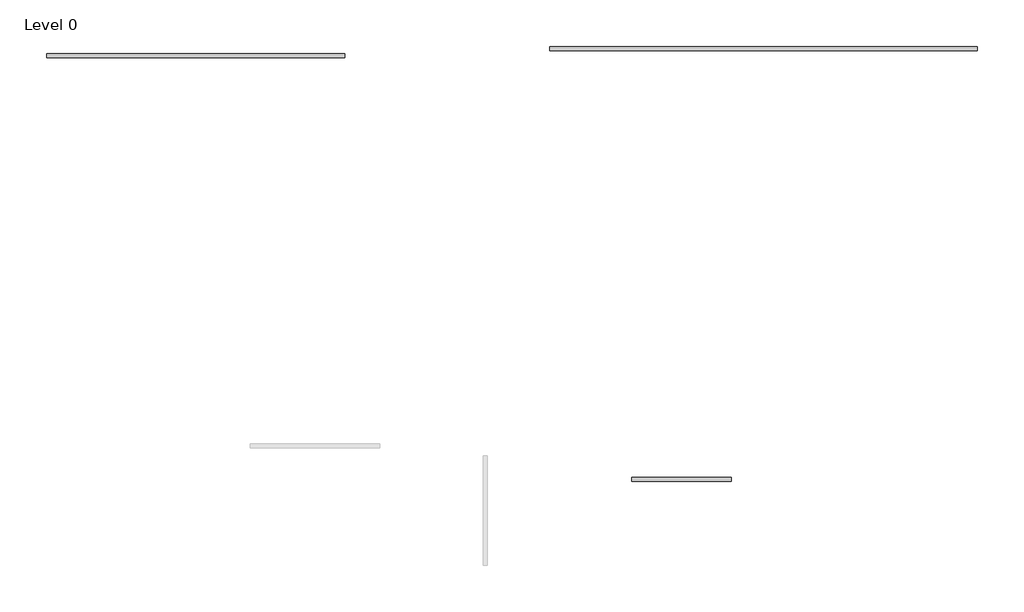
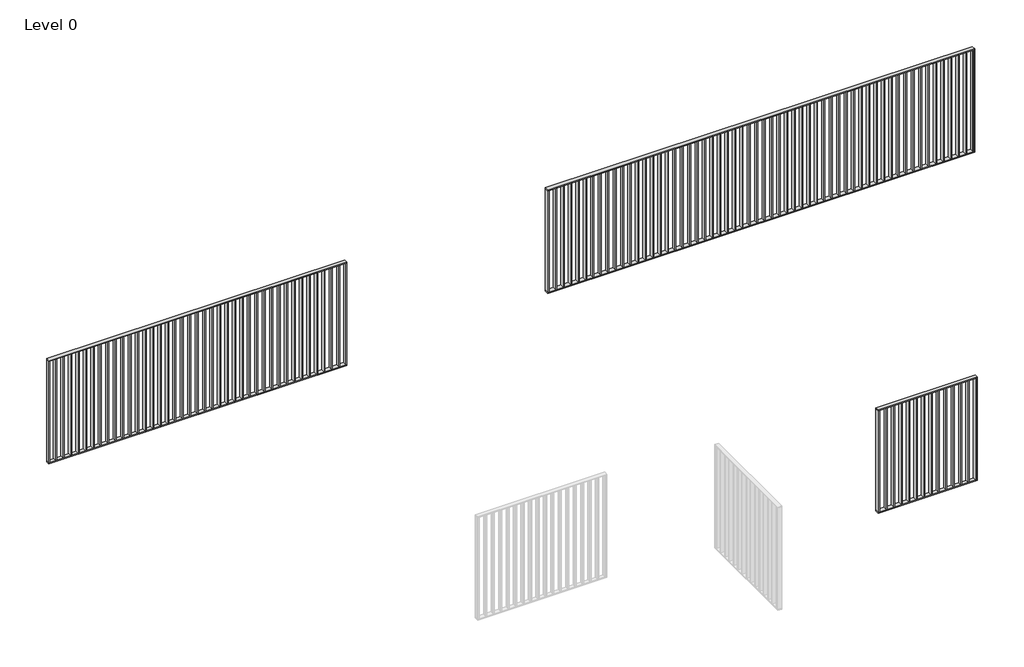
# One storey, part 2 of 3: 3 railings.
"""IFC4 building model written with IfcOpenShell, lengths in millimetres."""

from ifc_helpers import new_model, si_unit, frame, origin, origin_with_axes, place, context, project, spatial, polyline, outline, extrude, element, save

model = new_model("IFC4")

# Units and contexts
model_context = context("Model", 3, world=origin())
ifc_project = project(units=[si_unit("LENGTHUNIT", "METRE", prefix="MILLI")], contexts=[model_context])

# Site, building, storey
site = spatial("IfcSite", under=ifc_project)
building = spatial("IfcBuilding", under=site)
storey = spatial("IfcBuildingStorey", under=building, Name="Level 0", Elevation=0.0)

# Railings
placement = place(None, origin())
element("IfcRailing", 1, at=placement, inside=storey, context=model_context, shape_type="SweptSolid", body=[
    extrude(outline(polyline([(-6256.8668275, 330.8270239), (-6256.8668275, 370.8270239), (-3256.8668275, 370.8270239), (-3256.8668275, 330.8270239), (-6256.8668275, 330.8270239)])), frame((0.0, 0.0, 1090.0), z_axis=(0.0, 0.0, 1.0), x_axis=(1.0, 0.0, 0.0)), (0.0, 0.0, 1.0), 10.0),
    extrude(outline(polyline([(-6256.8668275, 330.8270239), (-6256.8668275, 370.8270239), (-3256.8668275, 370.8270239), (-3256.8668275, 330.8270239), (-6256.8668275, 330.8270239)])), origin_with_axes(), (0.0, 0.0, 1.0), 10.0),
    extrude(outline(polyline([(-3336.8668275, 370.8270239), (-3326.8668275, 370.8270239), (-3326.8668275, 330.8270239), (-3336.8668275, 330.8270239), (-3336.8668275, 370.8270239)])), frame((0.0, 0.0, 10.0), z_axis=(0.0, 0.0, 1.0), x_axis=(1.0, 0.0, 0.0)), (0.0, 0.0, 1.0), 1080.0),
    extrude(outline(polyline([(-3411.8668275, 370.8270239), (-3401.8668275, 370.8270239), (-3401.8668275, 330.8270239), (-3411.8668275, 330.8270239), (-3411.8668275, 370.8270239)])), frame((0.0, 0.0, 10.0), z_axis=(0.0, 0.0, 1.0), x_axis=(1.0, 0.0, 0.0)), (0.0, 0.0, 1.0), 1080.0),
    extrude(outline(polyline([(-3486.8668275, 370.8270239), (-3476.8668275, 370.8270239), (-3476.8668275, 330.8270239), (-3486.8668275, 330.8270239), (-3486.8668275, 370.8270239)])), frame((0.0, 0.0, 10.0), z_axis=(0.0, 0.0, 1.0), x_axis=(1.0, 0.0, 0.0)), (0.0, 0.0, 1.0), 1080.0),
    extrude(outline(polyline([(-3561.8668275, 370.8270239), (-3551.8668275, 370.8270239), (-3551.8668275, 330.8270239), (-3561.8668275, 330.8270239), (-3561.8668275, 370.8270239)])), frame((0.0, 0.0, 10.0), z_axis=(0.0, 0.0, 1.0), x_axis=(1.0, 0.0, 0.0)), (0.0, 0.0, 1.0), 1080.0),
    extrude(outline(polyline([(-3636.8668275, 370.8270239), (-3626.8668275, 370.8270239), (-3626.8668275, 330.8270239), (-3636.8668275, 330.8270239), (-3636.8668275, 370.8270239)])), frame((0.0, 0.0, 10.0), z_axis=(0.0, 0.0, 1.0), x_axis=(1.0, 0.0, 0.0)), (0.0, 0.0, 1.0), 1080.0),
    extrude(outline(polyline([(-3711.8668275, 370.8270239), (-3701.8668275, 370.8270239), (-3701.8668275, 330.8270239), (-3711.8668275, 330.8270239), (-3711.8668275, 370.8270239)])), frame((0.0, 0.0, 10.0), z_axis=(0.0, 0.0, 1.0), x_axis=(1.0, 0.0, 0.0)), (0.0, 0.0, 1.0), 1080.0),
    extrude(outline(polyline([(-3786.8668275, 370.8270239), (-3776.8668275, 370.8270239), (-3776.8668275, 330.8270239), (-3786.8668275, 330.8270239), (-3786.8668275, 370.8270239)])), frame((0.0, 0.0, 10.0), z_axis=(0.0, 0.0, 1.0), x_axis=(1.0, 0.0, 0.0)), (0.0, 0.0, 1.0), 1080.0),
    extrude(outline(polyline([(-3861.8668275, 370.8270239), (-3851.8668275, 370.8270239), (-3851.8668275, 330.8270239), (-3861.8668275, 330.8270239), (-3861.8668275, 370.8270239)])), frame((0.0, 0.0, 10.0), z_axis=(0.0, 0.0, 1.0), x_axis=(1.0, 0.0, 0.0)), (0.0, 0.0, 1.0), 1080.0),
    extrude(outline(polyline([(-3936.8668275, 370.8270239), (-3926.8668275, 370.8270239), (-3926.8668275, 330.8270239), (-3936.8668275, 330.8270239), (-3936.8668275, 370.8270239)])), frame((0.0, 0.0, 10.0), z_axis=(0.0, 0.0, 1.0), x_axis=(1.0, 0.0, 0.0)), (0.0, 0.0, 1.0), 1080.0),
    extrude(outline(polyline([(-4011.8668275, 370.8270239), (-4001.8668275, 370.8270239), (-4001.8668275, 330.8270239), (-4011.8668275, 330.8270239), (-4011.8668275, 370.8270239)])), frame((0.0, 0.0, 10.0), z_axis=(0.0, 0.0, 1.0), x_axis=(1.0, 0.0, 0.0)), (0.0, 0.0, 1.0), 1080.0),
    extrude(outline(polyline([(-4086.8668275, 370.8270239), (-4076.8668275, 370.8270239), (-4076.8668275, 330.8270239), (-4086.8668275, 330.8270239), (-4086.8668275, 370.8270239)])), frame((0.0, 0.0, 10.0), z_axis=(0.0, 0.0, 1.0), x_axis=(1.0, 0.0, 0.0)), (0.0, 0.0, 1.0), 1080.0),
    extrude(outline(polyline([(-4161.8668275, 370.8270239), (-4151.8668275, 370.8270239), (-4151.8668275, 330.8270239), (-4161.8668275, 330.8270239), (-4161.8668275, 370.8270239)])), frame((0.0, 0.0, 10.0), z_axis=(0.0, 0.0, 1.0), x_axis=(1.0, 0.0, 0.0)), (0.0, 0.0, 1.0), 1080.0),
    extrude(outline(polyline([(-4236.8668275, 370.8270239), (-4226.8668275, 370.8270239), (-4226.8668275, 330.8270239), (-4236.8668275, 330.8270239), (-4236.8668275, 370.8270239)])), frame((0.0, 0.0, 10.0), z_axis=(0.0, 0.0, 1.0), x_axis=(1.0, 0.0, 0.0)), (0.0, 0.0, 1.0), 1080.0),
    extrude(outline(polyline([(-4311.8668275, 370.8270239), (-4301.8668275, 370.8270239), (-4301.8668275, 330.8270239), (-4311.8668275, 330.8270239), (-4311.8668275, 370.8270239)])), frame((0.0, 0.0, 10.0), z_axis=(0.0, 0.0, 1.0), x_axis=(1.0, 0.0, 0.0)), (0.0, 0.0, 1.0), 1080.0),
    extrude(outline(polyline([(-4386.8668275, 370.8270239), (-4376.8668275, 370.8270239), (-4376.8668275, 330.8270239), (-4386.8668275, 330.8270239), (-4386.8668275, 370.8270239)])), frame((0.0, 0.0, 10.0), z_axis=(0.0, 0.0, 1.0), x_axis=(1.0, 0.0, 0.0)), (0.0, 0.0, 1.0), 1080.0),
    extrude(outline(polyline([(-4461.8668275, 370.8270239), (-4451.8668275, 370.8270239), (-4451.8668275, 330.8270239), (-4461.8668275, 330.8270239), (-4461.8668275, 370.8270239)])), frame((0.0, 0.0, 10.0), z_axis=(0.0, 0.0, 1.0), x_axis=(1.0, 0.0, 0.0)), (0.0, 0.0, 1.0), 1080.0),
    extrude(outline(polyline([(-4536.8668275, 370.8270239), (-4526.8668275, 370.8270239), (-4526.8668275, 330.8270239), (-4536.8668275, 330.8270239), (-4536.8668275, 370.8270239)])), frame((0.0, 0.0, 10.0), z_axis=(0.0, 0.0, 1.0), x_axis=(1.0, 0.0, 0.0)), (0.0, 0.0, 1.0), 1080.0),
    extrude(outline(polyline([(-4611.8668275, 370.8270239), (-4601.8668275, 370.8270239), (-4601.8668275, 330.8270239), (-4611.8668275, 330.8270239), (-4611.8668275, 370.8270239)])), frame((0.0, 0.0, 10.0), z_axis=(0.0, 0.0, 1.0), x_axis=(1.0, 0.0, 0.0)), (0.0, 0.0, 1.0), 1080.0),
    extrude(outline(polyline([(-4686.8668275, 370.8270239), (-4676.8668275, 370.8270239), (-4676.8668275, 330.8270239), (-4686.8668275, 330.8270239), (-4686.8668275, 370.8270239)])), frame((0.0, 0.0, 10.0), z_axis=(0.0, 0.0, 1.0), x_axis=(1.0, 0.0, 0.0)), (0.0, 0.0, 1.0), 1080.0),
    extrude(outline(polyline([(-4761.8668275, 370.8270239), (-4751.8668275, 370.8270239), (-4751.8668275, 330.8270239), (-4761.8668275, 330.8270239), (-4761.8668275, 370.8270239)])), frame((0.0, 0.0, 10.0), z_axis=(0.0, 0.0, 1.0), x_axis=(1.0, 0.0, 0.0)), (0.0, 0.0, 1.0), 1080.0),
    extrude(outline(polyline([(-4836.8668275, 370.8270239), (-4826.8668275, 370.8270239), (-4826.8668275, 330.8270239), (-4836.8668275, 330.8270239), (-4836.8668275, 370.8270239)])), frame((0.0, 0.0, 10.0), z_axis=(0.0, 0.0, 1.0), x_axis=(1.0, 0.0, 0.0)), (0.0, 0.0, 1.0), 1080.0),
    extrude(outline(polyline([(-4911.8668275, 370.8270239), (-4901.8668275, 370.8270239), (-4901.8668275, 330.8270239), (-4911.8668275, 330.8270239), (-4911.8668275, 370.8270239)])), frame((0.0, 0.0, 10.0), z_axis=(0.0, 0.0, 1.0), x_axis=(1.0, 0.0, 0.0)), (0.0, 0.0, 1.0), 1080.0),
    extrude(outline(polyline([(-4986.8668275, 370.8270239), (-4976.8668275, 370.8270239), (-4976.8668275, 330.8270239), (-4986.8668275, 330.8270239), (-4986.8668275, 370.8270239)])), frame((0.0, 0.0, 10.0), z_axis=(0.0, 0.0, 1.0), x_axis=(1.0, 0.0, 0.0)), (0.0, 0.0, 1.0), 1080.0),
    extrude(outline(polyline([(-5061.8668275, 370.8270239), (-5051.8668275, 370.8270239), (-5051.8668275, 330.8270239), (-5061.8668275, 330.8270239), (-5061.8668275, 370.8270239)])), frame((0.0, 0.0, 10.0), z_axis=(0.0, 0.0, 1.0), x_axis=(1.0, 0.0, 0.0)), (0.0, 0.0, 1.0), 1080.0),
    extrude(outline(polyline([(-5136.8668275, 370.8270239), (-5126.8668275, 370.8270239), (-5126.8668275, 330.8270239), (-5136.8668275, 330.8270239), (-5136.8668275, 370.8270239)])), frame((0.0, 0.0, 10.0), z_axis=(0.0, 0.0, 1.0), x_axis=(1.0, 0.0, 0.0)), (0.0, 0.0, 1.0), 1080.0),
    extrude(outline(polyline([(-5211.8668275, 370.8270239), (-5201.8668275, 370.8270239), (-5201.8668275, 330.8270239), (-5211.8668275, 330.8270239), (-5211.8668275, 370.8270239)])), frame((0.0, 0.0, 10.0), z_axis=(0.0, 0.0, 1.0), x_axis=(1.0, 0.0, 0.0)), (0.0, 0.0, 1.0), 1080.0),
    extrude(outline(polyline([(-5286.8668275, 370.8270239), (-5276.8668275, 370.8270239), (-5276.8668275, 330.8270239), (-5286.8668275, 330.8270239), (-5286.8668275, 370.8270239)])), frame((0.0, 0.0, 10.0), z_axis=(0.0, 0.0, 1.0), x_axis=(1.0, 0.0, 0.0)), (0.0, 0.0, 1.0), 1080.0),
    extrude(outline(polyline([(-5361.8668275, 370.8270239), (-5351.8668275, 370.8270239), (-5351.8668275, 330.8270239), (-5361.8668275, 330.8270239), (-5361.8668275, 370.8270239)])), frame((0.0, 0.0, 10.0), z_axis=(0.0, 0.0, 1.0), x_axis=(1.0, 0.0, 0.0)), (0.0, 0.0, 1.0), 1080.0),
    extrude(outline(polyline([(-5436.8668275, 370.8270239), (-5426.8668275, 370.8270239), (-5426.8668275, 330.8270239), (-5436.8668275, 330.8270239), (-5436.8668275, 370.8270239)])), frame((0.0, 0.0, 10.0), z_axis=(0.0, 0.0, 1.0), x_axis=(1.0, 0.0, 0.0)), (0.0, 0.0, 1.0), 1080.0),
    extrude(outline(polyline([(-5511.8668275, 370.8270239), (-5501.8668275, 370.8270239), (-5501.8668275, 330.8270239), (-5511.8668275, 330.8270239), (-5511.8668275, 370.8270239)])), frame((0.0, 0.0, 10.0), z_axis=(0.0, 0.0, 1.0), x_axis=(1.0, 0.0, 0.0)), (0.0, 0.0, 1.0), 1080.0),
    extrude(outline(polyline([(-5586.8668275, 370.8270239), (-5576.8668275, 370.8270239), (-5576.8668275, 330.8270239), (-5586.8668275, 330.8270239), (-5586.8668275, 370.8270239)])), frame((0.0, 0.0, 10.0), z_axis=(0.0, 0.0, 1.0), x_axis=(1.0, 0.0, 0.0)), (0.0, 0.0, 1.0), 1080.0),
    extrude(outline(polyline([(-5661.8668275, 370.8270239), (-5651.8668275, 370.8270239), (-5651.8668275, 330.8270239), (-5661.8668275, 330.8270239), (-5661.8668275, 370.8270239)])), frame((0.0, 0.0, 10.0), z_axis=(0.0, 0.0, 1.0), x_axis=(1.0, 0.0, 0.0)), (0.0, 0.0, 1.0), 1080.0),
    extrude(outline(polyline([(-5736.8668275, 370.8270239), (-5726.8668275, 370.8270239), (-5726.8668275, 330.8270239), (-5736.8668275, 330.8270239), (-5736.8668275, 370.8270239)])), frame((0.0, 0.0, 10.0), z_axis=(0.0, 0.0, 1.0), x_axis=(1.0, 0.0, 0.0)), (0.0, 0.0, 1.0), 1080.0),
    extrude(outline(polyline([(-5811.8668275, 370.8270239), (-5801.8668275, 370.8270239), (-5801.8668275, 330.8270239), (-5811.8668275, 330.8270239), (-5811.8668275, 370.8270239)])), frame((0.0, 0.0, 10.0), z_axis=(0.0, 0.0, 1.0), x_axis=(1.0, 0.0, 0.0)), (0.0, 0.0, 1.0), 1080.0),
    extrude(outline(polyline([(-5886.8668275, 370.8270239), (-5876.8668275, 370.8270239), (-5876.8668275, 330.8270239), (-5886.8668275, 330.8270239), (-5886.8668275, 370.8270239)])), frame((0.0, 0.0, 10.0), z_axis=(0.0, 0.0, 1.0), x_axis=(1.0, 0.0, 0.0)), (0.0, 0.0, 1.0), 1080.0),
    extrude(outline(polyline([(-5961.8668275, 370.8270239), (-5951.8668275, 370.8270239), (-5951.8668275, 330.8270239), (-5961.8668275, 330.8270239), (-5961.8668275, 370.8270239)])), frame((0.0, 0.0, 10.0), z_axis=(0.0, 0.0, 1.0), x_axis=(1.0, 0.0, 0.0)), (0.0, 0.0, 1.0), 1080.0),
    extrude(outline(polyline([(-6036.8668275, 370.8270239), (-6026.8668275, 370.8270239), (-6026.8668275, 330.8270239), (-6036.8668275, 330.8270239), (-6036.8668275, 370.8270239)])), frame((0.0, 0.0, 10.0), z_axis=(0.0, 0.0, 1.0), x_axis=(1.0, 0.0, 0.0)), (0.0, 0.0, 1.0), 1080.0),
    extrude(outline(polyline([(-6111.8668275, 370.8270239), (-6101.8668275, 370.8270239), (-6101.8668275, 330.8270239), (-6111.8668275, 330.8270239), (-6111.8668275, 370.8270239)])), frame((0.0, 0.0, 10.0), z_axis=(0.0, 0.0, 1.0), x_axis=(1.0, 0.0, 0.0)), (0.0, 0.0, 1.0), 1080.0),
    extrude(outline(polyline([(-6186.8668275, 370.8270239), (-6176.8668275, 370.8270239), (-6176.8668275, 330.8270239), (-6186.8668275, 330.8270239), (-6186.8668275, 370.8270239)])), frame((0.0, 0.0, 10.0), z_axis=(0.0, 0.0, 1.0), x_axis=(1.0, 0.0, 0.0)), (0.0, 0.0, 1.0), 1080.0),
    extrude(outline(polyline([(-3266.8668275, 370.8270239), (-3256.8668275, 370.8270239), (-3256.8668275, 330.8270239), (-3266.8668275, 330.8270239), (-3266.8668275, 370.8270239)])), frame((0.0, 0.0, 10.0), z_axis=(0.0, 0.0, 1.0), x_axis=(1.0, 0.0, 0.0)), (0.0, 0.0, 1.0), 1080.0),
    extrude(outline(polyline([(-6256.8668275, 370.8270239), (-6246.8668275, 370.8270239), (-6246.8668275, 330.8270239), (-6256.8668275, 330.8270239), (-6256.8668275, 370.8270239)])), frame((0.0, 0.0, 10.0), z_axis=(0.0, 0.0, 1.0), x_axis=(1.0, 0.0, 0.0)), (0.0, 0.0, 1.0), 1080.0),
])
element("IfcRailing", 2, at=placement, inside=storey, context=model_context, shape_type="SweptSolid", body=[
    extrude(outline(polyline([(-1194.06967, 404.2008957), (-1194.06967, 444.2008957), (3105.93033, 444.2008957), (3105.93033, 404.2008957), (-1194.06967, 404.2008957)])), frame((0.0, 0.0, 1090.0), z_axis=(0.0, 0.0, 1.0), x_axis=(1.0, 0.0, 0.0)), (0.0, 0.0, 1.0), 10.0),
    extrude(outline(polyline([(-1194.06967, 404.2008957), (-1194.06967, 444.2008957), (3105.93033, 444.2008957), (3105.93033, 404.2008957), (-1194.06967, 404.2008957)])), origin_with_axes(), (0.0, 0.0, 1.0), 10.0),
    extrude(outline(polyline([(3088.43033, 444.2008957), (3098.43033, 444.2008957), (3098.43033, 404.2008957), (3088.43033, 404.2008957), (3088.43033, 444.2008957)])), frame((0.0, 0.0, 10.0), z_axis=(0.0, 0.0, 1.0), x_axis=(1.0, 0.0, 0.0)), (0.0, 0.0, 1.0), 1080.0),
    extrude(outline(polyline([(3013.43033, 444.2008957), (3023.43033, 444.2008957), (3023.43033, 404.2008957), (3013.43033, 404.2008957), (3013.43033, 444.2008957)])), frame((0.0, 0.0, 10.0), z_axis=(0.0, 0.0, 1.0), x_axis=(1.0, 0.0, 0.0)), (0.0, 0.0, 1.0), 1080.0),
    extrude(outline(polyline([(2938.43033, 444.2008957), (2948.43033, 444.2008957), (2948.43033, 404.2008957), (2938.43033, 404.2008957), (2938.43033, 444.2008957)])), frame((0.0, 0.0, 10.0), z_axis=(0.0, 0.0, 1.0), x_axis=(1.0, 0.0, 0.0)), (0.0, 0.0, 1.0), 1080.0),
    extrude(outline(polyline([(2863.43033, 444.2008957), (2873.43033, 444.2008957), (2873.43033, 404.2008957), (2863.43033, 404.2008957), (2863.43033, 444.2008957)])), frame((0.0, 0.0, 10.0), z_axis=(0.0, 0.0, 1.0), x_axis=(1.0, 0.0, 0.0)), (0.0, 0.0, 1.0), 1080.0),
    extrude(outline(polyline([(2788.43033, 444.2008957), (2798.43033, 444.2008957), (2798.43033, 404.2008957), (2788.43033, 404.2008957), (2788.43033, 444.2008957)])), frame((0.0, 0.0, 10.0), z_axis=(0.0, 0.0, 1.0), x_axis=(1.0, 0.0, 0.0)), (0.0, 0.0, 1.0), 1080.0),
    extrude(outline(polyline([(2713.43033, 444.2008957), (2723.43033, 444.2008957), (2723.43033, 404.2008957), (2713.43033, 404.2008957), (2713.43033, 444.2008957)])), frame((0.0, 0.0, 10.0), z_axis=(0.0, 0.0, 1.0), x_axis=(1.0, 0.0, 0.0)), (0.0, 0.0, 1.0), 1080.0),
    extrude(outline(polyline([(2638.43033, 444.2008957), (2648.43033, 444.2008957), (2648.43033, 404.2008957), (2638.43033, 404.2008957), (2638.43033, 444.2008957)])), frame((0.0, 0.0, 10.0), z_axis=(0.0, 0.0, 1.0), x_axis=(1.0, 0.0, 0.0)), (0.0, 0.0, 1.0), 1080.0),
    extrude(outline(polyline([(2563.43033, 444.2008957), (2573.43033, 444.2008957), (2573.43033, 404.2008957), (2563.43033, 404.2008957), (2563.43033, 444.2008957)])), frame((0.0, 0.0, 10.0), z_axis=(0.0, 0.0, 1.0), x_axis=(1.0, 0.0, 0.0)), (0.0, 0.0, 1.0), 1080.0),
    extrude(outline(polyline([(2488.43033, 444.2008957), (2498.43033, 444.2008957), (2498.43033, 404.2008957), (2488.43033, 404.2008957), (2488.43033, 444.2008957)])), frame((0.0, 0.0, 10.0), z_axis=(0.0, 0.0, 1.0), x_axis=(1.0, 0.0, 0.0)), (0.0, 0.0, 1.0), 1080.0),
    extrude(outline(polyline([(2413.43033, 444.2008957), (2423.43033, 444.2008957), (2423.43033, 404.2008957), (2413.43033, 404.2008957), (2413.43033, 444.2008957)])), frame((0.0, 0.0, 10.0), z_axis=(0.0, 0.0, 1.0), x_axis=(1.0, 0.0, 0.0)), (0.0, 0.0, 1.0), 1080.0),
    extrude(outline(polyline([(2338.43033, 444.2008957), (2348.43033, 444.2008957), (2348.43033, 404.2008957), (2338.43033, 404.2008957), (2338.43033, 444.2008957)])), frame((0.0, 0.0, 10.0), z_axis=(0.0, 0.0, 1.0), x_axis=(1.0, 0.0, 0.0)), (0.0, 0.0, 1.0), 1080.0),
    extrude(outline(polyline([(2263.43033, 444.2008957), (2273.43033, 444.2008957), (2273.43033, 404.2008957), (2263.43033, 404.2008957), (2263.43033, 444.2008957)])), frame((0.0, 0.0, 10.0), z_axis=(0.0, 0.0, 1.0), x_axis=(1.0, 0.0, 0.0)), (0.0, 0.0, 1.0), 1080.0),
    extrude(outline(polyline([(2188.43033, 444.2008957), (2198.43033, 444.2008957), (2198.43033, 404.2008957), (2188.43033, 404.2008957), (2188.43033, 444.2008957)])), frame((0.0, 0.0, 10.0), z_axis=(0.0, 0.0, 1.0), x_axis=(1.0, 0.0, 0.0)), (0.0, 0.0, 1.0), 1080.0),
    extrude(outline(polyline([(2113.43033, 444.2008957), (2123.43033, 444.2008957), (2123.43033, 404.2008957), (2113.43033, 404.2008957), (2113.43033, 444.2008957)])), frame((0.0, 0.0, 10.0), z_axis=(0.0, 0.0, 1.0), x_axis=(1.0, 0.0, 0.0)), (0.0, 0.0, 1.0), 1080.0),
    extrude(outline(polyline([(2038.43033, 444.2008957), (2048.43033, 444.2008957), (2048.43033, 404.2008957), (2038.43033, 404.2008957), (2038.43033, 444.2008957)])), frame((0.0, 0.0, 10.0), z_axis=(0.0, 0.0, 1.0), x_axis=(1.0, 0.0, 0.0)), (0.0, 0.0, 1.0), 1080.0),
    extrude(outline(polyline([(1963.43033, 444.2008957), (1973.43033, 444.2008957), (1973.43033, 404.2008957), (1963.43033, 404.2008957), (1963.43033, 444.2008957)])), frame((0.0, 0.0, 10.0), z_axis=(0.0, 0.0, 1.0), x_axis=(1.0, 0.0, 0.0)), (0.0, 0.0, 1.0), 1080.0),
    extrude(outline(polyline([(1888.43033, 444.2008957), (1898.43033, 444.2008957), (1898.43033, 404.2008957), (1888.43033, 404.2008957), (1888.43033, 444.2008957)])), frame((0.0, 0.0, 10.0), z_axis=(0.0, 0.0, 1.0), x_axis=(1.0, 0.0, 0.0)), (0.0, 0.0, 1.0), 1080.0),
    extrude(outline(polyline([(1813.43033, 444.2008957), (1823.43033, 444.2008957), (1823.43033, 404.2008957), (1813.43033, 404.2008957), (1813.43033, 444.2008957)])), frame((0.0, 0.0, 10.0), z_axis=(0.0, 0.0, 1.0), x_axis=(1.0, 0.0, 0.0)), (0.0, 0.0, 1.0), 1080.0),
    extrude(outline(polyline([(1738.43033, 444.2008957), (1748.43033, 444.2008957), (1748.43033, 404.2008957), (1738.43033, 404.2008957), (1738.43033, 444.2008957)])), frame((0.0, 0.0, 10.0), z_axis=(0.0, 0.0, 1.0), x_axis=(1.0, 0.0, 0.0)), (0.0, 0.0, 1.0), 1080.0),
    extrude(outline(polyline([(1663.43033, 444.2008957), (1673.43033, 444.2008957), (1673.43033, 404.2008957), (1663.43033, 404.2008957), (1663.43033, 444.2008957)])), frame((0.0, 0.0, 10.0), z_axis=(0.0, 0.0, 1.0), x_axis=(1.0, 0.0, 0.0)), (0.0, 0.0, 1.0), 1080.0),
    extrude(outline(polyline([(1588.43033, 444.2008957), (1598.43033, 444.2008957), (1598.43033, 404.2008957), (1588.43033, 404.2008957), (1588.43033, 444.2008957)])), frame((0.0, 0.0, 10.0), z_axis=(0.0, 0.0, 1.0), x_axis=(1.0, 0.0, 0.0)), (0.0, 0.0, 1.0), 1080.0),
    extrude(outline(polyline([(1513.43033, 444.2008957), (1523.43033, 444.2008957), (1523.43033, 404.2008957), (1513.43033, 404.2008957), (1513.43033, 444.2008957)])), frame((0.0, 0.0, 10.0), z_axis=(0.0, 0.0, 1.0), x_axis=(1.0, 0.0, 0.0)), (0.0, 0.0, 1.0), 1080.0),
    extrude(outline(polyline([(1438.43033, 444.2008957), (1448.43033, 444.2008957), (1448.43033, 404.2008957), (1438.43033, 404.2008957), (1438.43033, 444.2008957)])), frame((0.0, 0.0, 10.0), z_axis=(0.0, 0.0, 1.0), x_axis=(1.0, 0.0, 0.0)), (0.0, 0.0, 1.0), 1080.0),
    extrude(outline(polyline([(1363.43033, 444.2008957), (1373.43033, 444.2008957), (1373.43033, 404.2008957), (1363.43033, 404.2008957), (1363.43033, 444.2008957)])), frame((0.0, 0.0, 10.0), z_axis=(0.0, 0.0, 1.0), x_axis=(1.0, 0.0, 0.0)), (0.0, 0.0, 1.0), 1080.0),
    extrude(outline(polyline([(1288.43033, 444.2008957), (1298.43033, 444.2008957), (1298.43033, 404.2008957), (1288.43033, 404.2008957), (1288.43033, 444.2008957)])), frame((0.0, 0.0, 10.0), z_axis=(0.0, 0.0, 1.0), x_axis=(1.0, 0.0, 0.0)), (0.0, 0.0, 1.0), 1080.0),
    extrude(outline(polyline([(1213.43033, 444.2008957), (1223.43033, 444.2008957), (1223.43033, 404.2008957), (1213.43033, 404.2008957), (1213.43033, 444.2008957)])), frame((0.0, 0.0, 10.0), z_axis=(0.0, 0.0, 1.0), x_axis=(1.0, 0.0, 0.0)), (0.0, 0.0, 1.0), 1080.0),
    extrude(outline(polyline([(1138.43033, 444.2008957), (1148.43033, 444.2008957), (1148.43033, 404.2008957), (1138.43033, 404.2008957), (1138.43033, 444.2008957)])), frame((0.0, 0.0, 10.0), z_axis=(0.0, 0.0, 1.0), x_axis=(1.0, 0.0, 0.0)), (0.0, 0.0, 1.0), 1080.0),
    extrude(outline(polyline([(1063.43033, 444.2008957), (1073.43033, 444.2008957), (1073.43033, 404.2008957), (1063.43033, 404.2008957), (1063.43033, 444.2008957)])), frame((0.0, 0.0, 10.0), z_axis=(0.0, 0.0, 1.0), x_axis=(1.0, 0.0, 0.0)), (0.0, 0.0, 1.0), 1080.0),
    extrude(outline(polyline([(988.43033, 444.2008957), (998.43033, 444.2008957), (998.43033, 404.2008957), (988.43033, 404.2008957), (988.43033, 444.2008957)])), frame((0.0, 0.0, 10.0), z_axis=(0.0, 0.0, 1.0), x_axis=(1.0, 0.0, 0.0)), (0.0, 0.0, 1.0), 1080.0),
    extrude(outline(polyline([(913.43033, 444.2008957), (923.43033, 444.2008957), (923.43033, 404.2008957), (913.43033, 404.2008957), (913.43033, 444.2008957)])), frame((0.0, 0.0, 10.0), z_axis=(0.0, 0.0, 1.0), x_axis=(1.0, 0.0, 0.0)), (0.0, 0.0, 1.0), 1080.0),
    extrude(outline(polyline([(838.43033, 444.2008957), (848.43033, 444.2008957), (848.43033, 404.2008957), (838.43033, 404.2008957), (838.43033, 444.2008957)])), frame((0.0, 0.0, 10.0), z_axis=(0.0, 0.0, 1.0), x_axis=(1.0, 0.0, 0.0)), (0.0, 0.0, 1.0), 1080.0),
    extrude(outline(polyline([(763.43033, 444.2008957), (773.43033, 444.2008957), (773.43033, 404.2008957), (763.43033, 404.2008957), (763.43033, 444.2008957)])), frame((0.0, 0.0, 10.0), z_axis=(0.0, 0.0, 1.0), x_axis=(1.0, 0.0, 0.0)), (0.0, 0.0, 1.0), 1080.0),
    extrude(outline(polyline([(688.43033, 444.2008957), (698.43033, 444.2008957), (698.43033, 404.2008957), (688.43033, 404.2008957), (688.43033, 444.2008957)])), frame((0.0, 0.0, 10.0), z_axis=(0.0, 0.0, 1.0), x_axis=(1.0, 0.0, 0.0)), (0.0, 0.0, 1.0), 1080.0),
    extrude(outline(polyline([(613.43033, 444.2008957), (623.43033, 444.2008957), (623.43033, 404.2008957), (613.43033, 404.2008957), (613.43033, 444.2008957)])), frame((0.0, 0.0, 10.0), z_axis=(0.0, 0.0, 1.0), x_axis=(1.0, 0.0, 0.0)), (0.0, 0.0, 1.0), 1080.0),
    extrude(outline(polyline([(538.43033, 444.2008957), (548.43033, 444.2008957), (548.43033, 404.2008957), (538.43033, 404.2008957), (538.43033, 444.2008957)])), frame((0.0, 0.0, 10.0), z_axis=(0.0, 0.0, 1.0), x_axis=(1.0, 0.0, 0.0)), (0.0, 0.0, 1.0), 1080.0),
    extrude(outline(polyline([(463.43033, 444.2008957), (473.43033, 444.2008957), (473.43033, 404.2008957), (463.43033, 404.2008957), (463.43033, 444.2008957)])), frame((0.0, 0.0, 10.0), z_axis=(0.0, 0.0, 1.0), x_axis=(1.0, 0.0, 0.0)), (0.0, 0.0, 1.0), 1080.0),
    extrude(outline(polyline([(388.43033, 444.2008957), (398.43033, 444.2008957), (398.43033, 404.2008957), (388.43033, 404.2008957), (388.43033, 444.2008957)])), frame((0.0, 0.0, 10.0), z_axis=(0.0, 0.0, 1.0), x_axis=(1.0, 0.0, 0.0)), (0.0, 0.0, 1.0), 1080.0),
    extrude(outline(polyline([(313.43033, 444.2008957), (323.43033, 444.2008957), (323.43033, 404.2008957), (313.43033, 404.2008957), (313.43033, 444.2008957)])), frame((0.0, 0.0, 10.0), z_axis=(0.0, 0.0, 1.0), x_axis=(1.0, 0.0, 0.0)), (0.0, 0.0, 1.0), 1080.0),
    extrude(outline(polyline([(238.43033, 444.2008957), (248.43033, 444.2008957), (248.43033, 404.2008957), (238.43033, 404.2008957), (238.43033, 444.2008957)])), frame((0.0, 0.0, 10.0), z_axis=(0.0, 0.0, 1.0), x_axis=(1.0, 0.0, 0.0)), (0.0, 0.0, 1.0), 1080.0),
    extrude(outline(polyline([(163.43033, 444.2008957), (173.43033, 444.2008957), (173.43033, 404.2008957), (163.43033, 404.2008957), (163.43033, 444.2008957)])), frame((0.0, 0.0, 10.0), z_axis=(0.0, 0.0, 1.0), x_axis=(1.0, 0.0, 0.0)), (0.0, 0.0, 1.0), 1080.0),
    extrude(outline(polyline([(88.43033, 444.2008957), (98.43033, 444.2008957), (98.43033, 404.2008957), (88.43033, 404.2008957), (88.43033, 444.2008957)])), frame((0.0, 0.0, 10.0), z_axis=(0.0, 0.0, 1.0), x_axis=(1.0, 0.0, 0.0)), (0.0, 0.0, 1.0), 1080.0),
    extrude(outline(polyline([(13.43033, 444.2008957), (23.43033, 444.2008957), (23.43033, 404.2008957), (13.43033, 404.2008957), (13.43033, 444.2008957)])), frame((0.0, 0.0, 10.0), z_axis=(0.0, 0.0, 1.0), x_axis=(1.0, 0.0, 0.0)), (0.0, 0.0, 1.0), 1080.0),
    extrude(outline(polyline([(-61.56967, 444.2008957), (-51.56967, 444.2008957), (-51.56967, 404.2008957), (-61.56967, 404.2008957), (-61.56967, 444.2008957)])), frame((0.0, 0.0, 10.0), z_axis=(0.0, 0.0, 1.0), x_axis=(1.0, 0.0, 0.0)), (0.0, 0.0, 1.0), 1080.0),
    extrude(outline(polyline([(-136.56967, 444.2008957), (-126.56967, 444.2008957), (-126.56967, 404.2008957), (-136.56967, 404.2008957), (-136.56967, 444.2008957)])), frame((0.0, 0.0, 10.0), z_axis=(0.0, 0.0, 1.0), x_axis=(1.0, 0.0, 0.0)), (0.0, 0.0, 1.0), 1080.0),
    extrude(outline(polyline([(-211.56967, 444.2008957), (-201.56967, 444.2008957), (-201.56967, 404.2008957), (-211.56967, 404.2008957), (-211.56967, 444.2008957)])), frame((0.0, 0.0, 10.0), z_axis=(0.0, 0.0, 1.0), x_axis=(1.0, 0.0, 0.0)), (0.0, 0.0, 1.0), 1080.0),
    extrude(outline(polyline([(-286.56967, 444.2008957), (-276.56967, 444.2008957), (-276.56967, 404.2008957), (-286.56967, 404.2008957), (-286.56967, 444.2008957)])), frame((0.0, 0.0, 10.0), z_axis=(0.0, 0.0, 1.0), x_axis=(1.0, 0.0, 0.0)), (0.0, 0.0, 1.0), 1080.0),
    extrude(outline(polyline([(-361.56967, 444.2008957), (-351.56967, 444.2008957), (-351.56967, 404.2008957), (-361.56967, 404.2008957), (-361.56967, 444.2008957)])), frame((0.0, 0.0, 10.0), z_axis=(0.0, 0.0, 1.0), x_axis=(1.0, 0.0, 0.0)), (0.0, 0.0, 1.0), 1080.0),
    extrude(outline(polyline([(-436.56967, 444.2008957), (-426.56967, 444.2008957), (-426.56967, 404.2008957), (-436.56967, 404.2008957), (-436.56967, 444.2008957)])), frame((0.0, 0.0, 10.0), z_axis=(0.0, 0.0, 1.0), x_axis=(1.0, 0.0, 0.0)), (0.0, 0.0, 1.0), 1080.0),
    extrude(outline(polyline([(-511.56967, 444.2008957), (-501.56967, 444.2008957), (-501.56967, 404.2008957), (-511.56967, 404.2008957), (-511.56967, 444.2008957)])), frame((0.0, 0.0, 10.0), z_axis=(0.0, 0.0, 1.0), x_axis=(1.0, 0.0, 0.0)), (0.0, 0.0, 1.0), 1080.0),
    extrude(outline(polyline([(-586.56967, 444.2008957), (-576.56967, 444.2008957), (-576.56967, 404.2008957), (-586.56967, 404.2008957), (-586.56967, 444.2008957)])), frame((0.0, 0.0, 10.0), z_axis=(0.0, 0.0, 1.0), x_axis=(1.0, 0.0, 0.0)), (0.0, 0.0, 1.0), 1080.0),
    extrude(outline(polyline([(-661.56967, 444.2008957), (-651.56967, 444.2008957), (-651.56967, 404.2008957), (-661.56967, 404.2008957), (-661.56967, 444.2008957)])), frame((0.0, 0.0, 10.0), z_axis=(0.0, 0.0, 1.0), x_axis=(1.0, 0.0, 0.0)), (0.0, 0.0, 1.0), 1080.0),
    extrude(outline(polyline([(-736.56967, 444.2008957), (-726.56967, 444.2008957), (-726.56967, 404.2008957), (-736.56967, 404.2008957), (-736.56967, 444.2008957)])), frame((0.0, 0.0, 10.0), z_axis=(0.0, 0.0, 1.0), x_axis=(1.0, 0.0, 0.0)), (0.0, 0.0, 1.0), 1080.0),
    extrude(outline(polyline([(-811.56967, 444.2008957), (-801.56967, 444.2008957), (-801.56967, 404.2008957), (-811.56967, 404.2008957), (-811.56967, 444.2008957)])), frame((0.0, 0.0, 10.0), z_axis=(0.0, 0.0, 1.0), x_axis=(1.0, 0.0, 0.0)), (0.0, 0.0, 1.0), 1080.0),
    extrude(outline(polyline([(-886.56967, 444.2008957), (-876.56967, 444.2008957), (-876.56967, 404.2008957), (-886.56967, 404.2008957), (-886.56967, 444.2008957)])), frame((0.0, 0.0, 10.0), z_axis=(0.0, 0.0, 1.0), x_axis=(1.0, 0.0, 0.0)), (0.0, 0.0, 1.0), 1080.0),
    extrude(outline(polyline([(-961.56967, 444.2008957), (-951.56967, 444.2008957), (-951.56967, 404.2008957), (-961.56967, 404.2008957), (-961.56967, 444.2008957)])), frame((0.0, 0.0, 10.0), z_axis=(0.0, 0.0, 1.0), x_axis=(1.0, 0.0, 0.0)), (0.0, 0.0, 1.0), 1080.0),
    extrude(outline(polyline([(-1036.56967, 444.2008957), (-1026.56967, 444.2008957), (-1026.56967, 404.2008957), (-1036.56967, 404.2008957), (-1036.56967, 444.2008957)])), frame((0.0, 0.0, 10.0), z_axis=(0.0, 0.0, 1.0), x_axis=(1.0, 0.0, 0.0)), (0.0, 0.0, 1.0), 1080.0),
    extrude(outline(polyline([(-1111.56967, 444.2008957), (-1101.56967, 444.2008957), (-1101.56967, 404.2008957), (-1111.56967, 404.2008957), (-1111.56967, 444.2008957)])), frame((0.0, 0.0, 10.0), z_axis=(0.0, 0.0, 1.0), x_axis=(1.0, 0.0, 0.0)), (0.0, 0.0, 1.0), 1080.0),
    extrude(outline(polyline([(-1186.56967, 444.2008957), (-1176.56967, 444.2008957), (-1176.56967, 404.2008957), (-1186.56967, 404.2008957), (-1186.56967, 444.2008957)])), frame((0.0, 0.0, 10.0), z_axis=(0.0, 0.0, 1.0), x_axis=(1.0, 0.0, 0.0)), (0.0, 0.0, 1.0), 1080.0),
    extrude(outline(polyline([(3095.93033, 444.2008957), (3105.93033, 444.2008957), (3105.93033, 404.2008957), (3095.93033, 404.2008957), (3095.93033, 444.2008957)])), frame((0.0, 0.0, 10.0), z_axis=(0.0, 0.0, 1.0), x_axis=(1.0, 0.0, 0.0)), (0.0, 0.0, 1.0), 1080.0),
    extrude(outline(polyline([(-1194.06967, 444.2008957), (-1184.06967, 444.2008957), (-1184.06967, 404.2008957), (-1194.06967, 404.2008957), (-1194.06967, 444.2008957)])), frame((0.0, 0.0, 10.0), z_axis=(0.0, 0.0, 1.0), x_axis=(1.0, 0.0, 0.0)), (0.0, 0.0, 1.0), 1080.0),
])
element("IfcRailing", 3, at=placement, inside=storey, context=model_context, shape_type="SweptSolid", body=[
    extrude(outline(polyline([(-370.8174053, -3933.7179822), (-370.8174053, -3893.7179822), (629.1825947, -3893.7179822), (629.1825947, -3933.7179822), (-370.8174053, -3933.7179822)])), frame((0.0, 0.0, 1090.0), z_axis=(0.0, 0.0, 1.0), x_axis=(1.0, 0.0, 0.0)), (0.0, 0.0, 1.0), 10.0),
    extrude(outline(polyline([(-370.8174053, -3933.7179822), (-370.8174053, -3893.7179822), (629.1825947, -3893.7179822), (629.1825947, -3933.7179822), (-370.8174053, -3933.7179822)])), origin_with_axes(), (0.0, 0.0, 1.0), 10.0),
    extrude(outline(polyline([(611.6825947, -3893.7179822), (621.6825947, -3893.7179822), (621.6825947, -3933.7179822), (611.6825947, -3933.7179822), (611.6825947, -3893.7179822)])), frame((0.0, 0.0, 10.0), z_axis=(0.0, 0.0, 1.0), x_axis=(1.0, 0.0, 0.0)), (0.0, 0.0, 1.0), 1080.0),
    extrude(outline(polyline([(536.6825947, -3893.7179822), (546.6825947, -3893.7179822), (546.6825947, -3933.7179822), (536.6825947, -3933.7179822), (536.6825947, -3893.7179822)])), frame((0.0, 0.0, 10.0), z_axis=(0.0, 0.0, 1.0), x_axis=(1.0, 0.0, 0.0)), (0.0, 0.0, 1.0), 1080.0),
    extrude(outline(polyline([(461.6825947, -3893.7179822), (471.6825947, -3893.7179822), (471.6825947, -3933.7179822), (461.6825947, -3933.7179822), (461.6825947, -3893.7179822)])), frame((0.0, 0.0, 10.0), z_axis=(0.0, 0.0, 1.0), x_axis=(1.0, 0.0, 0.0)), (0.0, 0.0, 1.0), 1080.0),
    extrude(outline(polyline([(386.6825947, -3893.7179822), (396.6825947, -3893.7179822), (396.6825947, -3933.7179822), (386.6825947, -3933.7179822), (386.6825947, -3893.7179822)])), frame((0.0, 0.0, 10.0), z_axis=(0.0, 0.0, 1.0), x_axis=(1.0, 0.0, 0.0)), (0.0, 0.0, 1.0), 1080.0),
    extrude(outline(polyline([(311.6825947, -3893.7179822), (321.6825947, -3893.7179822), (321.6825947, -3933.7179822), (311.6825947, -3933.7179822), (311.6825947, -3893.7179822)])), frame((0.0, 0.0, 10.0), z_axis=(0.0, 0.0, 1.0), x_axis=(1.0, 0.0, 0.0)), (0.0, 0.0, 1.0), 1080.0),
    extrude(outline(polyline([(236.6825947, -3893.7179822), (246.6825947, -3893.7179822), (246.6825947, -3933.7179822), (236.6825947, -3933.7179822), (236.6825947, -3893.7179822)])), frame((0.0, 0.0, 10.0), z_axis=(0.0, 0.0, 1.0), x_axis=(1.0, 0.0, 0.0)), (0.0, 0.0, 1.0), 1080.0),
    extrude(outline(polyline([(161.6825947, -3893.7179822), (171.6825947, -3893.7179822), (171.6825947, -3933.7179822), (161.6825947, -3933.7179822), (161.6825947, -3893.7179822)])), frame((0.0, 0.0, 10.0), z_axis=(0.0, 0.0, 1.0), x_axis=(1.0, 0.0, 0.0)), (0.0, 0.0, 1.0), 1080.0),
    extrude(outline(polyline([(86.6825947, -3893.7179822), (96.6825947, -3893.7179822), (96.6825947, -3933.7179822), (86.6825947, -3933.7179822), (86.6825947, -3893.7179822)])), frame((0.0, 0.0, 10.0), z_axis=(0.0, 0.0, 1.0), x_axis=(1.0, 0.0, 0.0)), (0.0, 0.0, 1.0), 1080.0),
    extrude(outline(polyline([(11.6825947, -3893.7179822), (21.6825947, -3893.7179822), (21.6825947, -3933.7179822), (11.6825947, -3933.7179822), (11.6825947, -3893.7179822)])), frame((0.0, 0.0, 10.0), z_axis=(0.0, 0.0, 1.0), x_axis=(1.0, 0.0, 0.0)), (0.0, 0.0, 1.0), 1080.0),
    extrude(outline(polyline([(-63.3174053, -3893.7179822), (-53.3174053, -3893.7179822), (-53.3174053, -3933.7179822), (-63.3174053, -3933.7179822), (-63.3174053, -3893.7179822)])), frame((0.0, 0.0, 10.0), z_axis=(0.0, 0.0, 1.0), x_axis=(1.0, 0.0, 0.0)), (0.0, 0.0, 1.0), 1080.0),
    extrude(outline(polyline([(-138.3174053, -3893.7179822), (-128.3174053, -3893.7179822), (-128.3174053, -3933.7179822), (-138.3174053, -3933.7179822), (-138.3174053, -3893.7179822)])), frame((0.0, 0.0, 10.0), z_axis=(0.0, 0.0, 1.0), x_axis=(1.0, 0.0, 0.0)), (0.0, 0.0, 1.0), 1080.0),
    extrude(outline(polyline([(-213.3174053, -3893.7179822), (-203.3174053, -3893.7179822), (-203.3174053, -3933.7179822), (-213.3174053, -3933.7179822), (-213.3174053, -3893.7179822)])), frame((0.0, 0.0, 10.0), z_axis=(0.0, 0.0, 1.0), x_axis=(1.0, 0.0, 0.0)), (0.0, 0.0, 1.0), 1080.0),
    extrude(outline(polyline([(-288.3174053, -3893.7179822), (-278.3174053, -3893.7179822), (-278.3174053, -3933.7179822), (-288.3174053, -3933.7179822), (-288.3174053, -3893.7179822)])), frame((0.0, 0.0, 10.0), z_axis=(0.0, 0.0, 1.0), x_axis=(1.0, 0.0, 0.0)), (0.0, 0.0, 1.0), 1080.0),
    extrude(outline(polyline([(-363.3174053, -3893.7179822), (-353.3174053, -3893.7179822), (-353.3174053, -3933.7179822), (-363.3174053, -3933.7179822), (-363.3174053, -3893.7179822)])), frame((0.0, 0.0, 10.0), z_axis=(0.0, 0.0, 1.0), x_axis=(1.0, 0.0, 0.0)), (0.0, 0.0, 1.0), 1080.0),
    extrude(outline(polyline([(619.1825947, -3893.7179822), (629.1825947, -3893.7179822), (629.1825947, -3933.7179822), (619.1825947, -3933.7179822), (619.1825947, -3893.7179822)])), frame((0.0, 0.0, 10.0), z_axis=(0.0, 0.0, 1.0), x_axis=(1.0, 0.0, 0.0)), (0.0, 0.0, 1.0), 1080.0),
    extrude(outline(polyline([(-370.8174053, -3893.7179822), (-360.8174053, -3893.7179822), (-360.8174053, -3933.7179822), (-370.8174053, -3933.7179822), (-370.8174053, -3893.7179822)])), frame((0.0, 0.0, 10.0), z_axis=(0.0, 0.0, 1.0), x_axis=(1.0, 0.0, 0.0)), (0.0, 0.0, 1.0), 1080.0),
])

save(model, "model.ifc")
